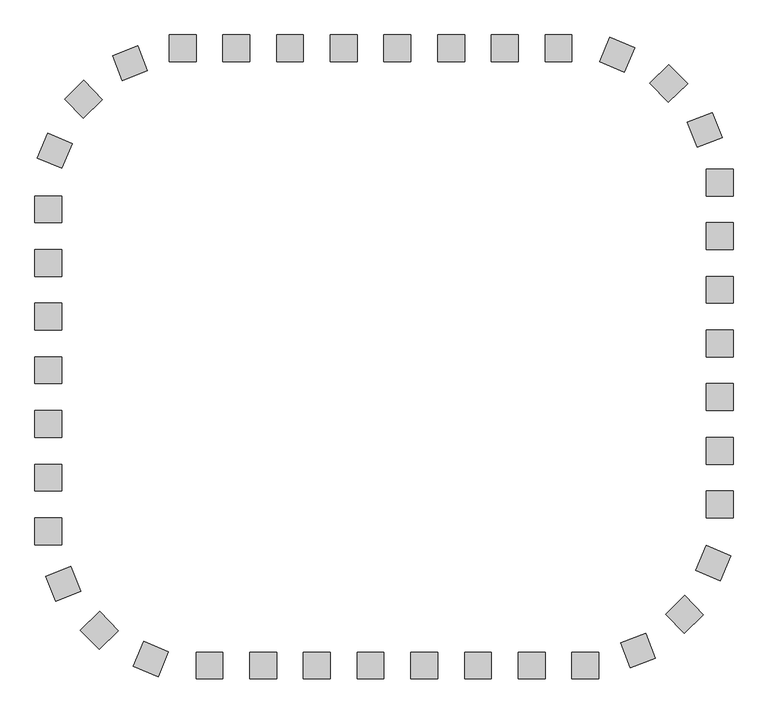
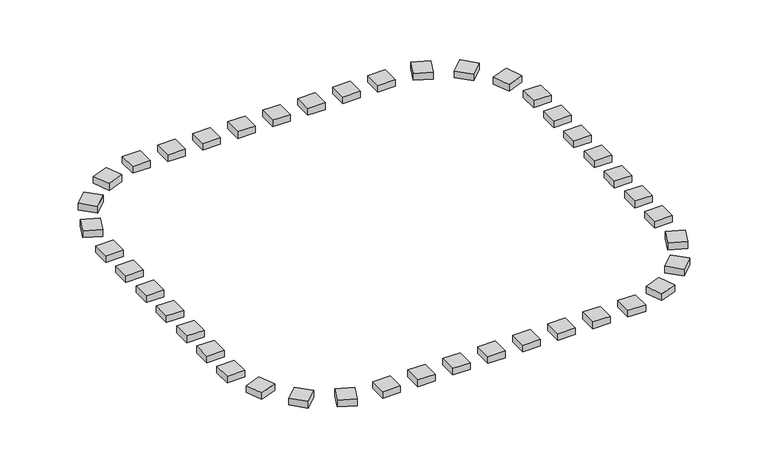
"""IFC4 building model written with IfcOpenShell, lengths in millimetres: railing geometry."""

from ifc_helpers import new_model, si_unit, origin, origin_with_axes, place, context, project, spatial, polyline, outline, extrude, source, transform, mapped, element, save


def railing_47f379ed(model_context):
    return source(origin(), model_context, "Body", "SweptSolid", [
        extrude(outline(polyline([(-58457.9798567, 21987.3166341), (-58457.9798567, 21487.3166341), (-58957.9798567, 21487.3166341), (-58957.9798567, 21987.3166341), (-58457.9798567, 21987.3166341)])), origin_with_axes(), (0.0, 0.0, 1.0), 200.0),
        extrude(outline(polyline([(-59457.9798567, 21987.3166341), (-59457.9798567, 21487.3166341), (-59957.9798567, 21487.3166341), (-59957.9798567, 21987.3166341), (-59457.9798567, 21987.3166341)])), origin_with_axes(), (0.0, 0.0, 1.0), 200.0),
        extrude(outline(polyline([(-60457.9798567, 21987.3166341), (-60457.9798567, 21487.3166341), (-60957.9798567, 21487.3166341), (-60957.9798567, 21987.3166341), (-60457.9798567, 21987.3166341)])), origin_with_axes(), (0.0, 0.0, 1.0), 200.0),
        extrude(outline(polyline([(-61457.9798567, 21987.3166341), (-61457.9798567, 21487.3166341), (-61957.9798567, 21487.3166341), (-61957.9798567, 21987.3166341), (-61457.9798567, 21987.3166341)])), origin_with_axes(), (0.0, 0.0, 1.0), 200.0),
        extrude(outline(polyline([(-62457.9798567, 21987.3166341), (-62457.9798567, 21487.3166341), (-62957.9798567, 21487.3166341), (-62957.9798567, 21987.3166341), (-62457.9798567, 21987.3166341)])), origin_with_axes(), (0.0, 0.0, 1.0), 200.0),
        extrude(outline(polyline([(-63457.9798567, 21987.3166341), (-63457.9798567, 21487.3166341), (-63957.9798567, 21487.3166341), (-63957.9798567, 21987.3166341), (-63457.9798567, 21987.3166341)])), origin_with_axes(), (0.0, 0.0, 1.0), 200.0),
        extrude(outline(polyline([(-65545.0531201, 21783.433892), (-65363.8742429, 21317.4143491), (-65829.8937858, 21136.2354718), (-66011.0726631, 21602.2550148), (-65545.0531201, 21783.433892)])), origin_with_axes(), (0.0, 0.0, 1.0), 200.0),
        extrude(outline(polyline([(-66548.0999847, 21139.3849068), (-66199.74663, 20780.7068614), (-66558.4246755, 20432.3535067), (-66906.7780302, 20791.0315522), (-66548.0999847, 21139.3849068)])), origin_with_axes(), (0.0, 0.0, 1.0), 200.0),
        extrude(outline(polyline([(-67221.1628387, 20155.5716611), (-66760.6323417, 19960.8624899), (-66955.3415128, 19500.3319929), (-67415.8720098, 19695.0411641), (-67221.1628387, 20155.5716611)])), origin_with_axes(), (0.0, 0.0, 1.0), 200.0),
        extrude(outline(polyline([(-67457.9798567, 17987.3166341), (-66957.9798567, 17987.3166341), (-66957.9798567, 17487.3166341), (-67457.9798567, 17487.3166341), (-67457.9798567, 17987.3166341)])), origin_with_axes(), (0.0, 0.0, 1.0), 200.0),
        extrude(outline(polyline([(-67457.9798567, 16987.3166341), (-66957.9798567, 16987.3166341), (-66957.9798567, 16487.3166341), (-67457.9798567, 16487.3166341), (-67457.9798567, 16987.3166341)])), origin_with_axes(), (0.0, 0.0, 1.0), 200.0),
        extrude(outline(polyline([(-67457.9798567, 15987.3166341), (-66957.9798567, 15987.3166341), (-66957.9798567, 15487.3166341), (-67457.9798567, 15487.3166341), (-67457.9798567, 15987.3166341)])), origin_with_axes(), (0.0, 0.0, 1.0), 200.0),
        extrude(outline(polyline([(-67457.9798567, 14987.3166341), (-66957.9798567, 14987.3166341), (-66957.9798567, 14487.3166341), (-67457.9798567, 14487.3166341), (-67457.9798567, 14987.3166341)])), origin_with_axes(), (0.0, 0.0, 1.0), 200.0),
        extrude(outline(polyline([(-67457.9798567, 13987.3166341), (-66957.9798567, 13987.3166341), (-66957.9798567, 13487.3166341), (-67457.9798567, 13487.3166341), (-67457.9798567, 13987.3166341)])), origin_with_axes(), (0.0, 0.0, 1.0), 200.0),
        extrude(outline(polyline([(-67254.0971146, 11900.2433707), (-66788.0775716, 12081.4222479), (-66606.8986944, 11615.402705), (-67072.9182373, 11434.2238277), (-67254.0971146, 11900.2433707)])), origin_with_axes(), (0.0, 0.0, 1.0), 200.0),
        extrude(outline(polyline([(-66610.0481294, 10897.1965061), (-66251.3700839, 11245.5498608), (-65903.0167292, 10886.8718153), (-66261.6947747, 10538.5184606), (-66610.0481294, 10897.1965061)])), origin_with_axes(), (0.0, 0.0, 1.0), 200.0),
        extrude(outline(polyline([(-65626.2348836, 10224.1336521), (-65431.5257124, 10684.6641491), (-64970.9952154, 10489.954978), (-65165.7043866, 10029.424481), (-65626.2348836, 10224.1336521)])), origin_with_axes(), (0.0, 0.0, 1.0), 200.0),
        extrude(outline(polyline([(-63457.9798567, 9987.3166341), (-63457.9798567, 10487.3166341), (-62957.9798567, 10487.3166341), (-62957.9798567, 9987.3166341), (-63457.9798567, 9987.3166341)])), origin_with_axes(), (0.0, 0.0, 1.0), 200.0),
        extrude(outline(polyline([(-62457.9798567, 9987.3166341), (-62457.9798567, 10487.3166341), (-61957.9798567, 10487.3166341), (-61957.9798567, 9987.3166341), (-62457.9798567, 9987.3166341)])), origin_with_axes(), (0.0, 0.0, 1.0), 200.0),
        extrude(outline(polyline([(-61457.9798567, 9987.3166341), (-61457.9798567, 10487.3166341), (-60957.9798567, 10487.3166341), (-60957.9798567, 9987.3166341), (-61457.9798567, 9987.3166341)])), origin_with_axes(), (0.0, 0.0, 1.0), 200.0),
        extrude(outline(polyline([(-60457.9798567, 9987.3166341), (-60457.9798567, 10487.3166341), (-59957.9798567, 10487.3166341), (-59957.9798567, 9987.3166341), (-60457.9798567, 9987.3166341)])), origin_with_axes(), (0.0, 0.0, 1.0), 200.0),
        extrude(outline(polyline([(-59457.9798567, 9987.3166341), (-59457.9798567, 10487.3166341), (-58957.9798567, 10487.3166341), (-58957.9798567, 9987.3166341), (-59457.9798567, 9987.3166341)])), origin_with_axes(), (0.0, 0.0, 1.0), 200.0),
        extrude(outline(polyline([(-58457.9798567, 9987.3166341), (-58457.9798567, 10487.3166341), (-57957.9798567, 10487.3166341), (-57957.9798567, 9987.3166341), (-58457.9798567, 9987.3166341)])), origin_with_axes(), (0.0, 0.0, 1.0), 200.0),
        extrude(outline(polyline([(-56370.9065932, 10191.1993762), (-56552.0854705, 10657.2189192), (-56086.0659275, 10838.3977965), (-55904.8870503, 10372.3782535), (-56370.9065932, 10191.1993762)])), origin_with_axes(), (0.0, 0.0, 1.0), 200.0),
        extrude(outline(polyline([(-55367.8597286, 10835.2483614), (-55716.2130833, 11193.9264069), (-55357.5350379, 11542.2797616), (-55009.1816832, 11183.6017161), (-55367.8597286, 10835.2483614)])), origin_with_axes(), (0.0, 0.0, 1.0), 200.0),
        extrude(outline(polyline([(-54694.7968747, 11819.0616072), (-55155.3273717, 12013.7707784), (-54960.6182005, 12474.3012754), (-54500.0877035, 12279.5921042), (-54694.7968747, 11819.0616072)])), origin_with_axes(), (0.0, 0.0, 1.0), 200.0),
        extrude(outline(polyline([(-54457.9798567, 13987.3166341), (-54957.9798567, 13987.3166341), (-54957.9798567, 14487.3166341), (-54457.9798567, 14487.3166341), (-54457.9798567, 13987.3166341)])), origin_with_axes(), (0.0, 0.0, 1.0), 200.0),
        extrude(outline(polyline([(-54457.9798567, 14987.3166341), (-54957.9798567, 14987.3166341), (-54957.9798567, 15487.3166341), (-54457.9798567, 15487.3166341), (-54457.9798567, 14987.3166341)])), origin_with_axes(), (0.0, 0.0, 1.0), 200.0),
        extrude(outline(polyline([(-54457.9798567, 15987.3166341), (-54957.9798567, 15987.3166341), (-54957.9798567, 16487.3166341), (-54457.9798567, 16487.3166341), (-54457.9798567, 15987.3166341)])), origin_with_axes(), (0.0, 0.0, 1.0), 200.0),
        extrude(outline(polyline([(-54457.9798567, 16987.3166341), (-54957.9798567, 16987.3166341), (-54957.9798567, 17487.3166341), (-54457.9798567, 17487.3166341), (-54457.9798567, 16987.3166341)])), origin_with_axes(), (0.0, 0.0, 1.0), 200.0),
        extrude(outline(polyline([(-54457.9798567, 17987.3166341), (-54957.9798567, 17987.3166341), (-54957.9798567, 18487.3166341), (-54457.9798567, 18487.3166341), (-54457.9798567, 17987.3166341)])), origin_with_axes(), (0.0, 0.0, 1.0), 200.0),
        extrude(outline(polyline([(-54661.8625988, 20074.3898976), (-55127.8821418, 19893.2110203), (-55309.061019, 20359.2305633), (-54843.041476, 20540.4094406), (-54661.8625988, 20074.3898976)])), origin_with_axes(), (0.0, 0.0, 1.0), 200.0),
        extrude(outline(polyline([(-55305.911584, 21077.4367622), (-55664.5896294, 20729.0834075), (-56012.9429841, 21087.761453), (-55654.2649386, 21436.1148076), (-55305.911584, 21077.4367622)])), origin_with_axes(), (0.0, 0.0, 1.0), 200.0),
        extrude(outline(polyline([(-56289.7248297, 21750.4996161), (-56484.4340009, 21289.9691191), (-56944.9644979, 21484.6782903), (-56750.2553267, 21945.2087873), (-56289.7248297, 21750.4996161)])), origin_with_axes(), (0.0, 0.0, 1.0), 200.0),
        extrude(outline(polyline([(-57457.9798567, 21987.3166341), (-57457.9798567, 21487.3166341), (-57957.9798567, 21487.3166341), (-57957.9798567, 21987.3166341), (-57457.9798567, 21987.3166341)])), origin_with_axes(), (0.0, 0.0, 1.0), 200.0),
        extrude(outline(polyline([(-64457.9798567, 21987.3166341), (-64457.9798567, 21487.3166341), (-64957.9798567, 21487.3166341), (-64957.9798567, 21987.3166341), (-64457.9798567, 21987.3166341)])), origin_with_axes(), (0.0, 0.0, 1.0), 200.0),
        extrude(outline(polyline([(-67457.9798567, 18987.3166341), (-66957.9798567, 18987.3166341), (-66957.9798567, 18487.3166341), (-67457.9798567, 18487.3166341), (-67457.9798567, 18987.3166341)])), origin_with_axes(), (0.0, 0.0, 1.0), 200.0),
        extrude(outline(polyline([(-67457.9798567, 12987.3166341), (-66957.9798567, 12987.3166341), (-66957.9798567, 12487.3166341), (-67457.9798567, 12487.3166341), (-67457.9798567, 12987.3166341)])), origin_with_axes(), (0.0, 0.0, 1.0), 200.0),
        extrude(outline(polyline([(-64457.9798567, 9987.3166341), (-64457.9798567, 10487.3166341), (-63957.9798567, 10487.3166341), (-63957.9798567, 9987.3166341), (-64457.9798567, 9987.3166341)])), origin_with_axes(), (0.0, 0.0, 1.0), 200.0),
        extrude(outline(polyline([(-57457.9798567, 9987.3166341), (-57457.9798567, 10487.3166341), (-56957.9798567, 10487.3166341), (-56957.9798567, 9987.3166341), (-57457.9798567, 9987.3166341)])), origin_with_axes(), (0.0, 0.0, 1.0), 200.0),
        extrude(outline(polyline([(-54457.9798567, 12987.3166341), (-54957.9798567, 12987.3166341), (-54957.9798567, 13487.3166341), (-54457.9798567, 13487.3166341), (-54457.9798567, 12987.3166341)])), origin_with_axes(), (0.0, 0.0, 1.0), 200.0),
        extrude(outline(polyline([(-54457.9798567, 18987.3166341), (-54957.9798567, 18987.3166341), (-54957.9798567, 19487.3166341), (-54457.9798567, 19487.3166341), (-54457.9798567, 18987.3166341)])), origin_with_axes(), (0.0, 0.0, 1.0), 200.0),
    ])


if __name__ == "__main__":
    model = new_model("IFC4")
    model_context = context("Model", 3, world=origin())
    ifc_project = project(units=[si_unit("LENGTHUNIT", "METRE", prefix="MILLI")], contexts=[model_context])
    site = spatial("IfcSite", under=ifc_project)
    building = spatial("IfcBuilding", under=site)
    placement = place(None, origin())
    railing_shape = railing_47f379ed(model_context)
    element("IfcRailing", 1, at=placement, inside=building, context=model_context, shape_type="MappedRepresentation", body=[
        mapped(railing_shape, transform((0.0, 0.0, 0.0), x_axis=(1.0, 0.0, 0.0), y_axis=(0.0, 1.0, 0.0), z_axis=(0.0, 0.0, 1.0))),
    ])
    save(model, "model.ifc")
